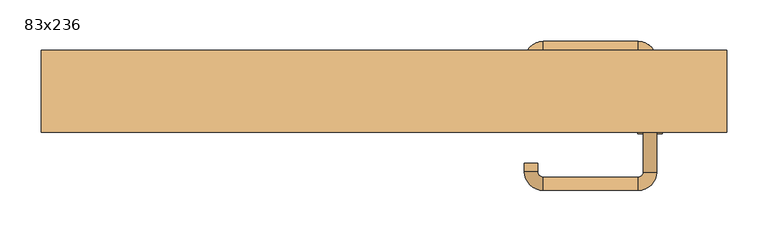
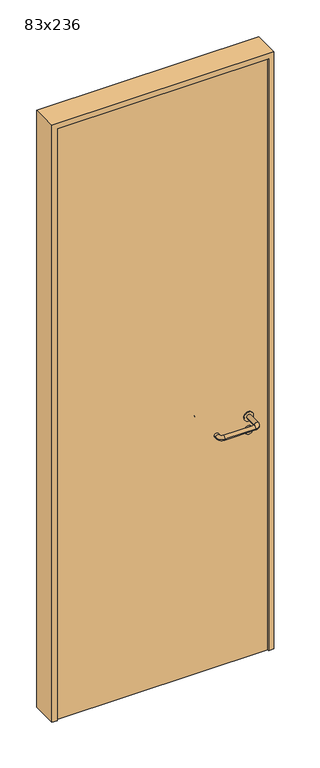
"""IFC4 building model written with IfcOpenShell, lengths in millimetres: door geometry, 83x236."""

import ifcopenshell
import ifcopenshell.guid

model = None  # the IFC model being written
_history = None  # IfcOwnerHistory: only IFC2X3 demands one
_inside = {}  # id of a spatial element -> (the spatial element, [elements in it])
_under = {}  # id of a project, library or spatial element -> (it, [spatial elements below it])
_declared = {}  # id of a project -> (the project, [libraries it declares])
_typed = {}  # id of a type object -> (the type object, [elements of that type])
_made_of = {}  # id of a material, layer set ... -> (it, [elements and type objects made of it])


def new_model(schema):
    """Start an empty IFC model of exactly this schema.

    Asked for "IFC4X3", IfcOpenShell would pick the latest addendum, in which some entities
    have other attributes; the version numbers below select the first issue.
    IFC2X3 requires an IfcOwnerHistory on every rooted entity: one is made here for all.
    """
    global model, _history
    if schema == "IFC4X3":
        model = ifcopenshell.file(schema_version=(4, 3, 0, 0))
    else:
        model = ifcopenshell.file(schema=schema)
    _inside.clear()
    _under.clear()
    _declared.clear()
    _typed.clear()
    _made_of.clear()
    _history = None
    if model.schema == "IFC2X3":
        org = make("IfcOrganization", Name="unknown")
        user = make(
            "IfcPersonAndOrganization",
            ThePerson=make("IfcPerson", FamilyName="unknown"),
            TheOrganization=org,
        )
        app = make(
            "IfcApplication",
            ApplicationDeveloper=org,
            Version="unknown",
            ApplicationFullName="unknown",
            ApplicationIdentifier="unknown",
        )
        _history = make(
            "IfcOwnerHistory",
            OwningUser=user,
            OwningApplication=app,
            ChangeAction="ADDED",
            CreationDate=0,
        )
    return model


def make(cls, **values):
    """One entity of the class cls with the attributes given. An attribute that is None is left unset."""
    return model.create_entity(
        cls, **{name: value for name, value in values.items() if value is not None}
    )


def rooted(cls, **values):
    """An entity with a GlobalId (a new one), such as an element, a storey or a relation."""
    return make(cls, GlobalId=ifcopenshell.guid.new(), OwnerHistory=_history, **values)


def si_unit(unit_type, name, prefix=None):
    """IfcSIUnit, for example si_unit("LENGTHUNIT", "METRE", prefix="MILLI")."""
    return make("IfcSIUnit", UnitType=unit_type, Prefix=prefix, Name=name)


def assignment(units):
    """IfcUnitAssignment: the units of a project."""
    return None if units is None else make("IfcUnitAssignment", Units=units)


def point(xyz):
    """IfcCartesianPoint."""
    return None if xyz is None else make("IfcCartesianPoint", Coordinates=xyz)


def direction(xyz):
    """IfcDirection."""
    return None if xyz is None else make("IfcDirection", DirectionRatios=xyz)


def frame(location, z_axis=None, x_axis=None):
    """IfcAxis2Placement3D, a coordinate frame: its origin and axes. An axis left out is left unset."""
    return make(
        "IfcAxis2Placement3D",
        Location=point(location),
        Axis=direction(z_axis),
        RefDirection=direction(x_axis),
    )


def frame_2d(location, x_axis=None):
    """IfcAxis2Placement2D, a coordinate frame in the plane: its origin and x axis."""
    return make(
        "IfcAxis2Placement2D", Location=point(location), RefDirection=direction(x_axis)
    )


def origin():
    """The frame at (0, 0, 0) with its axes left unset."""
    return frame((0.0, 0.0, 0.0))


def origin_with_axes():
    """The frame at (0, 0, 0) with the z axis (0, 0, 1) and the x axis (1, 0, 0) written out."""
    return frame((0.0, 0.0, 0.0), z_axis=(0.0, 0.0, 1.0), x_axis=(1.0, 0.0, 0.0))


def place(relative_to, where):
    """IfcLocalPlacement: puts the frame where relative to a parent placement (None: the world)."""
    return make(
        "IfcLocalPlacement", PlacementRelTo=relative_to, RelativePlacement=where
    )


def context(
    kind, dimensions, precision=None, world=None, true_north=None, identifier=None
):
    """IfcGeometricRepresentationContext, for example the 3D "Model" context."""
    return make(
        "IfcGeometricRepresentationContext",
        ContextIdentifier=identifier,
        ContextType=kind,
        CoordinateSpaceDimension=dimensions,
        Precision=precision,
        WorldCoordinateSystem=world,
        TrueNorth=true_north,
    )


def project(units=None, contexts=None):
    """IfcProject with its units and contexts."""
    return rooted(
        "IfcProject",
        Name="project",
        RepresentationContexts=contexts,
        UnitsInContext=assignment(units),
    )


def spatial(cls, under=None, at=None, **own):
    """A site, building, storey or space (cls), placed at a placement, below another one or the project."""
    s = rooted(cls, ObjectPlacement=at, **own)
    if under is not None:
        _under.setdefault(under.id(), (under, []))[1].append(s)
    return s


def polyline(points):
    """IfcPolyline through the points."""
    return make("IfcPolyline", Points=[point(p) for p in points])


def circle_curve(where, radius):
    """IfcCircle in the frame where."""
    return make("IfcCircle", Position=where, Radius=radius)


def ellipse_curve(where, semi_axis1, semi_axis2):
    """IfcEllipse in the frame where."""
    return make(
        "IfcEllipse", Position=where, SemiAxis1=semi_axis1, SemiAxis2=semi_axis2
    )


def trimmed(basis, trim1, trim2, sense, master):
    """IfcTrimmedCurve: the piece of a basis curve between two trims."""
    return make(
        "IfcTrimmedCurve",
        BasisCurve=basis,
        Trim1=trim1,
        Trim2=trim2,
        SenseAgreement=sense,
        MasterRepresentation=master,
    )


def segment(curve, same_sense, transition):
    """IfcCompositeCurveSegment."""
    return make(
        "IfcCompositeCurveSegment",
        Transition=transition,
        SameSense=same_sense,
        ParentCurve=curve,
    )


def composite_curve(segments, self_intersect=None):
    """IfcCompositeCurve: segments joined end to end."""
    return make("IfcCompositeCurve", Segments=segments, SelfIntersect=self_intersect)


def outline(outer, holes=None, kind="AREA"):
    """IfcArbitraryClosedProfileDef: a profile drawn as a closed curve; with holes, ...WithVoids."""
    if holes is None:
        return make("IfcArbitraryClosedProfileDef", ProfileType=kind, OuterCurve=outer)
    return make(
        "IfcArbitraryProfileDefWithVoids",
        ProfileType=kind,
        OuterCurve=outer,
        InnerCurves=holes,
    )


def extrude(swept, where, along, depth):
    """IfcExtrudedAreaSolid: the profile swept, set in the frame where, extruded along a direction by depth."""
    return make(
        "IfcExtrudedAreaSolid",
        SweptArea=swept,
        Position=where,
        ExtrudedDirection=direction(along),
        Depth=depth,
    )


def shape(context_of_items, identifier, shape_type, items):
    """IfcShapeRepresentation: the items that make up one representation, for example the "Body"."""
    return make(
        "IfcShapeRepresentation",
        ContextOfItems=context_of_items,
        RepresentationIdentifier=identifier,
        RepresentationType=shape_type,
        Items=items,
    )


def source(mapping_origin, context_of_items, identifier, shape_type, items):
    """IfcRepresentationMap: a shape defined once, which mapped items show again and again."""
    return make(
        "IfcRepresentationMap",
        MappingOrigin=mapping_origin,
        MappedRepresentation=shape(context_of_items, identifier, shape_type, items),
    )


def transform(
    local_origin,
    x_axis=None,
    y_axis=None,
    z_axis=None,
    scale=None,
    scale2=None,
    scale3=None,
    uniform=True,
):
    """IfcCartesianTransformationOperator3D, or its non-uniform kind. x_axis, y_axis, z_axis: its Axis1, 2, 3."""
    if uniform:
        return make(
            "IfcCartesianTransformationOperator3D",
            Axis1=direction(x_axis),
            Axis2=direction(y_axis),
            LocalOrigin=point(local_origin),
            Scale=scale,
            Axis3=direction(z_axis),
        )
    return make(
        "IfcCartesianTransformationOperator3DnonUniform",
        Axis1=direction(x_axis),
        Axis2=direction(y_axis),
        LocalOrigin=point(local_origin),
        Scale=scale,
        Axis3=direction(z_axis),
        Scale2=scale2,
        Scale3=scale3,
    )


def mapped(mapping_source, mapping_target):
    """IfcMappedItem: shows the shape of a source again, moved by a transform."""
    return make(
        "IfcMappedItem", MappingSource=mapping_source, MappingTarget=mapping_target
    )


def made_of(thing, what):
    """Note that an element or type object is made of a material, layer set ...; save() writes the relation."""
    if what is not None:
        _made_of.setdefault(what.id(), (what, []))[1].append(thing)
    return thing


def element(
    cls,
    number,
    at=None,
    inside=None,
    cuts=None,
    type_object=None,
    material=None,
    context=None,
    identifier="Body",
    shape_type=None,
    held_by="IfcProductDefinitionShape",
    body=None,
    shapes=None,
    **own,
):
    """One element of the class cls, such as IfcWall. Its Tag is "e" and its number.

    at: its placement. inside: the storey or other place that contains it. cuts: it is an
    opening in that element (IfcRelVoidsElement). A single representation is given by context,
    identifier, shape_type and body (its items); several are given by shapes. held_by: the class
    of the entity that holds the representations. save() writes the other relations.
    """
    e = rooted(cls, Tag="e%d" % number, ObjectPlacement=at, **own)
    if body is not None:
        shapes = [shape(context, identifier, shape_type, body)]
    if shapes is not None:
        e.Representation = make(held_by, Representations=shapes)
    if inside is not None:
        _inside.setdefault(inside.id(), (inside, []))[1].append(e)
    if cuts is not None:
        rooted(
            "IfcRelVoidsElement", RelatingBuildingElement=cuts, RelatedOpeningElement=e
        )
    if type_object is not None:
        _typed.setdefault(type_object.id(), (type_object, []))[1].append(e)
    return made_of(e, material)


def aggregate(whole, parts):
    """IfcRelAggregates: a whole, such as a stair, and the parts it consists of."""
    return rooted("IfcRelAggregates", RelatingObject=whole, RelatedObjects=parts)


def save(model, path):
    """Write the relations noted so far, then the file.

    IfcRelAggregates (storeys below a building ...), IfcRelContainedInSpatialStructure (elements
    in a storey), IfcRelDefinesByType, IfcRelAssociatesMaterial and IfcRelDeclares: one each for
    every whole, place, type object, material and project.
    """
    for whole, parts in _under.values():
        aggregate(whole, parts)
    for where, things in _inside.values():
        rooted(
            "IfcRelContainedInSpatialStructure",
            RelatedElements=things,
            RelatingStructure=where,
        )
    for kind, things in _typed.values():
        rooted("IfcRelDefinesByType", RelatedObjects=things, RelatingType=kind)
    for what, things in _made_of.values():
        rooted("IfcRelAssociatesMaterial", RelatedObjects=things, RelatingMaterial=what)
    for by, libraries in _declared.values():
        rooted("IfcRelDeclares", RelatingContext=by, RelatedDefinitions=libraries)
    model.write(path)


def plane_surface(at):
    """IfcPlane: the flat surface through the origin of the frame at, square to its z axis."""
    return make("IfcPlane", Position=at)


def cylinder_surface(at, radius):
    """IfcCylindricalSurface: all points at the distance radius from the z axis of the frame at."""
    return make("IfcCylindricalSurface", Position=at, Radius=radius)


def revolved_surface(curve, axis_point, axis_direction):
    """IfcSurfaceOfRevolution: the curve turned about the line through axis_point along axis_direction."""
    return make(
        "IfcSurfaceOfRevolution",
        SweptCurve=make("IfcArbitraryOpenProfileDef", ProfileType="CURVE", Curve=curve),
        AxisPosition=make("IfcAxis1Placement", Location=point(axis_point), Axis=direction(axis_direction)),
    )


def advanced_brep(points, edges, surfaces, faces):
    """IfcAdvancedBrep: a solid bounded by faces that lie on surfaces and meet in shared edges.

    An edge is (start, end): straight between two places in points (the first is 0);
    or (start, end, curve); or (start, end, curve, False) where it runs against its curve.
    A face is (place in surfaces, loops), or (place, loops, False) where it looks against
    its surface's normal. A loop lists edges by number (the first is 1), with a minus sign
    where the edge is run from its end to its start. The first loop is the outer one.
    """
    corners = [point(p) for p in points]
    vertices = [make("IfcVertexPoint", VertexGeometry=c) for c in corners]
    made = []
    for start, end, *more in edges:
        made.append(
            make(
                "IfcEdgeCurve",
                EdgeStart=vertices[start],
                EdgeEnd=vertices[end],
                EdgeGeometry=more[0] if more else make("IfcPolyline", Points=[corners[start], corners[end]]),
                SameSense=more[1] if len(more) > 1 else True,
            )
        )
    hull = []
    for where, loops, *sense in faces:
        bounds = []
        for j, loop in enumerate(loops):
            ring = [make("IfcOrientedEdge", EdgeElement=made[abs(k) - 1], Orientation=k > 0) for k in loop]
            bounds.append(
                make(
                    "IfcFaceOuterBound" if j == 0 else "IfcFaceBound",
                    Bound=make("IfcEdgeLoop", EdgeList=ring),
                    Orientation=True,
                )
            )
        hull.append(make("IfcAdvancedFace", Bounds=bounds, FaceSurface=surfaces[where], SameSense=sense[0] if sense else True))
    return make("IfcAdvancedBrep", Outer=make("IfcClosedShell", CfsFaces=hull))


def door_83x236_25af411b(model_context):
    return source(origin(), model_context, "Body", "SolidModel", [
        extrude(outline(composite_curve([segment(trimmed(circle_curve(frame_2d((897.3605726, 322.0)), 15.0), [point((897.3605726, 337.0))], [point((897.3605726, 307.0))], False, "CARTESIAN"), True, "CONTINUOUS"), segment(trimmed(circle_curve(frame_2d((897.3605726, 322.0)), 15.0), [point((897.3605726, 307.0))], [point((897.3605726, 337.0))], False, "CARTESIAN"), True, "CONTINUOUS")], self_intersect=False), holes=[composite_curve([segment(trimmed(circle_curve(frame_2d((892.5833211, 321.9398032)), 2.0), [point((892.5833211, 323.9398032))], [point((892.5833211, 319.9398032))], True, "CARTESIAN"), True, "CONTINUOUS"), segment(polyline([(892.5833211, 319.9398032), (902.5833211, 319.9398032)]), True, "CONTINUOUS"), segment(trimmed(circle_curve(frame_2d((902.5833211, 321.9398032)), 2.0), [point((902.5833211, 319.9398032))], [point((902.5833211, 323.9398032))], True, "CARTESIAN"), True, "CONTINUOUS"), segment(polyline([(902.5833211, 323.9398032), (892.5833211, 323.9398032)]), True, "CONTINUOUS")], self_intersect=False)]), frame((0.0, -15.0, 0.0), z_axis=(0.0, 1.0, 0.0), x_axis=(0.0, 0.0, 1.0)), (0.0, 0.0, 1.0), 6.35),
        extrude(outline(composite_curve([segment(trimmed(circle_curve(frame_2d((950.0, 322.0)), 17.526), [point((950.0, 339.526))], [point((950.0, 304.474))], False, "CARTESIAN"), True, "CONTINUOUS"), segment(trimmed(circle_curve(frame_2d((950.0, 322.0)), 17.526), [point((950.0, 304.474))], [point((950.0, 339.526))], False, "CARTESIAN"), True, "CONTINUOUS")], self_intersect=False)), frame((0.0, -15.0, 0.0), z_axis=(0.0, 1.0, 0.0), x_axis=(0.0, 0.0, 1.0)), (0.0, 0.0, 1.0), 3.175),
        advanced_brep(
        [(330.0, -15.0, 950.0), (314.0, -15.0, 950.0), (330.0, 38.0, 950.0), (314.0, 38.0, 950.0), (307.8578644, 44.1421356, 950.0), (307.8578644, 60.1421356, 950.0), (192.8578644, 60.1421356, 950.0), (192.8578644, 44.1421356, 950.0), (186.008622, 37.2928932, 950.0), (170.008622, 37.2928932, 950.0), (170.008622, 27.2928932, 950.0), (186.008622, 27.2928932, 950.0)],
        [
            (0, 1, circle_curve(frame((322.0, -15.0, 950.0), z_axis=(0.0, -1.0, 0.0), x_axis=(-1.0, 0.0, 0.0)), 8.0)),
            (1, 0, circle_curve(frame((322.0, -15.0, 950.0), z_axis=(0.0, -1.0, 0.0), x_axis=(-1.0, 0.0, 0.0)), 8.0)),
            (0, 2),
            (2, 3, circle_curve(frame((322.0, 38.0, 950.0), z_axis=(0.0, -1.0, 0.0), x_axis=(-1.0, 0.0, 0.0)), 8.0)),
            (3, 1),
            (3, 2, circle_curve(frame((322.0, 38.0, 950.0), z_axis=(0.0, -1.0, 0.0), x_axis=(-1.0, 0.0, 0.0)), 8.0)),
            (4, 3, circle_curve(frame((307.8578644, 38.0, 950.0), z_axis=(0.0, 0.0, -1.0), x_axis=(1.0, 0.0, 0.0)), 6.1421356)),
            (2, 5, circle_curve(frame((307.8578644, 38.0, 950.0), z_axis=(0.0, 0.0, 1.0), x_axis=(1.0, 0.0, 0.0)), 22.1421356)),
            (5, 4, circle_curve(frame((307.8578644, 52.1421356, 950.0), z_axis=(1.0, 0.0, 0.0), x_axis=(0.0, -1.0, 0.0)), 8.0)),
            (4, 5, circle_curve(frame((307.8578644, 52.1421356, 950.0), z_axis=(1.0, 0.0, 0.0), x_axis=(0.0, -1.0, 0.0)), 8.0)),
            (5, 6),
            (6, 7, circle_curve(frame((192.8578644, 52.1421356, 950.0), z_axis=(1.0, 0.0, 0.0), x_axis=(0.0, -1.0, 0.0)), 8.0)),
            (7, 4),
            (7, 6, circle_curve(frame((192.8578644, 52.1421356, 950.0), z_axis=(1.0, 0.0, 0.0), x_axis=(0.0, -1.0, 0.0)), 8.0)),
            (8, 7, circle_curve(frame((192.8578644, 37.2928932, 950.0), z_axis=(0.0, 0.0, -1.0), x_axis=(0.0, 1.0, 0.0)), 6.8492424)),
            (6, 9, circle_curve(frame((192.8578644, 37.2928932, 950.0), z_axis=(0.0, 0.0, 1.0), x_axis=(0.0, 1.0, 0.0)), 22.8492424)),
            (9, 8, circle_curve(frame((178.008622, 37.2928932, 950.0), z_axis=(0.0, 1.0, 0.0), x_axis=(1.0, 0.0, 0.0)), 8.0)),
            (8, 9, circle_curve(frame((178.008622, 37.2928932, 950.0), z_axis=(0.0, 1.0, 0.0), x_axis=(1.0, 0.0, 0.0)), 8.0)),
            (10, 11, circle_curve(frame((178.008622, 27.2928932, 950.0), z_axis=(0.0, -1.0, 0.0), x_axis=(1.0, 0.0, 0.0)), 8.0)),
            (11, 10, circle_curve(frame((178.008622, 27.2928932, 950.0), z_axis=(0.0, -1.0, 0.0), x_axis=(1.0, 0.0, 0.0)), 8.0)),
            (9, 10),
            (11, 8),
        ],
        [
            plane_surface(frame((322.0, -15.0, 0.0), z_axis=(0.0, -1.0, 0.0), x_axis=(0.0, 0.0, 1.0))),
            cylinder_surface(frame((322.0, -15.0, 950.0), z_axis=(0.0, -1.0, 0.0), x_axis=(-1.0, 0.0, 0.0)), 8.0),
            revolved_surface(trimmed(ellipse_curve(frame((322.0, 38.0, 950.0), z_axis=(0.0, -1.0, 0.0), x_axis=(-1.0, 0.0, 0.0)), 8.0, 8.0), [point((330.0, 38.0, 950.0))], [point((314.0, 38.0, 950.0))], True, "CARTESIAN"), (307.8578644, 38.0, 0.0), (0.0, 0.0, 1.0)),
            revolved_surface(trimmed(ellipse_curve(frame((322.0, 38.0, 950.0), z_axis=(0.0, -1.0, 0.0), x_axis=(-1.0, 0.0, 0.0)), 8.0, 8.0), [point((314.0, 38.0, 950.0))], [point((330.0, 38.0, 950.0))], True, "CARTESIAN"), (307.8578644, 38.0, 0.0), (0.0, 0.0, 1.0)),
            cylinder_surface(frame((307.8578644, 52.1421356, 950.0), z_axis=(1.0, 0.0, 0.0), x_axis=(0.0, -1.0, 0.0)), 8.0),
            revolved_surface(trimmed(ellipse_curve(frame((192.8578644, 52.1421356, 950.0), z_axis=(1.0, 0.0, 0.0), x_axis=(0.0, -1.0, 0.0)), 8.0, 8.0), [point((192.8578644, 60.1421356, 950.0))], [point((192.8578644, 44.1421356, 950.0))], True, "CARTESIAN"), (192.8578644, 37.2928932, 0.0), (0.0, 0.0, 1.0)),
            revolved_surface(trimmed(ellipse_curve(frame((192.8578644, 52.1421356, 950.0), z_axis=(1.0, 0.0, 0.0), x_axis=(0.0, -1.0, 0.0)), 8.0, 8.0), [point((192.8578644, 44.1421356, 950.0))], [point((192.8578644, 60.1421356, 950.0))], True, "CARTESIAN"), (192.8578644, 37.2928932, 0.0), (0.0, 0.0, 1.0)),
            plane_surface(frame((178.008622, 27.2928932, 0.0), z_axis=(0.0, -1.0, 0.0), x_axis=(0.0, 0.0, 1.0))),
            cylinder_surface(frame((178.008622, 37.2928932, 950.0), z_axis=(0.0, 1.0, 0.0), x_axis=(1.0, 0.0, 0.0)), 8.0),
        ],
        [
            (0, [[1, 2]]),
            (1, [[-1, 3, 4, 5]]),
            (1, [[-2, -5, 6, -3]]),
            (2, [[7, -4, 8, 9]]),
            (3, [[-8, -6, -7, 10]]),
            (4, [[-9, 11, 12, 13]]),
            (4, [[-10, -13, 14, -11]]),
            (5, [[15, -12, 16, 17]]),
            (6, [[-16, -14, -15, 18]]),
            (7, [[19, 20]]),
            (8, [[-17, 21, -20, 22]]),
            (8, [[-18, -22, -19, -21]]),
        ],
    ),
        extrude(outline(composite_curve([segment(trimmed(circle_curve(frame_2d((0.0, 15.0)), 15.0), [point((0.0, 30.0))], [point((0.0, 0.0))], False, "CARTESIAN"), True, "CONTINUOUS"), segment(trimmed(circle_curve(frame_2d((0.0, 15.0)), 15.0), [point((0.0, 0.0))], [point((0.0, 30.0))], False, "CARTESIAN"), True, "CONTINUOUS")], self_intersect=False), holes=[composite_curve([segment(trimmed(circle_curve(frame_2d((-4.7772515, 14.9398032)), 2.0), [point((-4.7772515, 16.9398032))], [point((-4.7772515, 12.9398032))], True, "CARTESIAN"), True, "CONTINUOUS"), segment(polyline([(-4.7772515, 12.9398032), (5.2227485, 12.9398032)]), True, "CONTINUOUS"), segment(trimmed(circle_curve(frame_2d((5.2227485, 14.9398032)), 2.0), [point((5.2227485, 12.9398032))], [point((5.2227485, 16.9398032))], True, "CARTESIAN"), True, "CONTINUOUS"), segment(polyline([(5.2227485, 16.9398032), (-4.7772515, 16.9398032)]), True, "CONTINUOUS")], self_intersect=False)]), frame((307.0, -51.35, 897.3605726), z_axis=(-1.8870575173328306e-12, 1.0, 0.0), x_axis=(0.0, 0.0, 1.0)), (0.0, 0.0, 1.0), 6.35),
        extrude(outline(composite_curve([segment(trimmed(circle_curve(frame_2d((0.0, 17.526)), 17.526), [point((0.0, 35.052))], [point((0.0, 0.0))], False, "CARTESIAN"), True, "CONTINUOUS"), segment(trimmed(circle_curve(frame_2d((0.0, 17.526)), 17.526), [point((0.0, 0.0))], [point((0.0, 35.052))], False, "CARTESIAN"), True, "CONTINUOUS")], self_intersect=False)), frame((304.474, -48.175, 950.0), z_axis=(-1.8870575173328306e-12, 1.0, 0.0), x_axis=(0.0, 0.0, 1.0)), (0.0, 0.0, 1.0), 3.175),
        advanced_brep(
        [(330.0, -45.0, 950.0), (314.0, -45.0, 950.0), (314.0, -98.0, 950.0), (330.0, -98.0, 950.0), (307.8578644, -104.1421356, 950.0), (307.8578644, -120.1421356, 950.0), (192.8578644, -104.1421356, 950.0), (192.8578644, -120.1421356, 950.0), (186.008622, -97.2928932, 950.0), (170.008622, -97.2928932, 950.0), (170.008622, -87.2928932, 950.0), (186.008622, -87.2928932, 950.0)],
        [
            (0, 1, circle_curve(frame((322.0, -45.0, 950.0), z_axis=(-1.888672253512351e-12, 1.0, 0.0), x_axis=(-1.0, -1.888672253512351e-12, 0.0)), 8.0)),
            (1, 0, circle_curve(frame((322.0, -45.0, 950.0), z_axis=(-1.888672253512351e-12, 1.0, 0.0), x_axis=(-1.0, -1.888672253512351e-12, 0.0)), 8.0)),
            (1, 2),
            (2, 3, circle_curve(frame((322.0, -98.0, 950.0), z_axis=(-1.888672253512351e-12, 1.0, 0.0), x_axis=(-1.0, -1.888672253512351e-12, 0.0)), 8.0)),
            (3, 0),
            (3, 2, circle_curve(frame((322.0, -98.0, 950.0), z_axis=(-1.888672253512351e-12, 1.0, 0.0), x_axis=(-1.0, -1.888672253512351e-12, 0.0)), 8.0)),
            (4, 5, circle_curve(frame((307.8578644, -112.1421356, 950.0), z_axis=(1.0, 1.913702061528922e-12, 0.0), x_axis=(-1.913702061528922e-12, 1.0, 0.0)), 8.0)),
            (5, 3, circle_curve(frame((307.8578644, -98.0, 950.0), z_axis=(0.0, 0.0, 1.0), x_axis=(1.0, 1.880717803715015e-12, 0.0)), 22.1421356)),
            (2, 4, circle_curve(frame((307.8578644, -98.0, 950.0), z_axis=(0.0, 0.0, -1.0), x_axis=(1.0, 1.880717803715015e-12, 0.0)), 6.1421356)),
            (5, 4, circle_curve(frame((307.8578644, -112.1421356, 950.0), z_axis=(1.0, 1.913702061528922e-12, 0.0), x_axis=(-1.913702061528922e-12, 1.0, 0.0)), 8.0)),
            (4, 6),
            (6, 7, circle_curve(frame((192.8578644, -112.1421356, 950.0), z_axis=(1.0, 1.913719828541269e-12, 0.0), x_axis=(-1.913719828541269e-12, 1.0, 0.0)), 8.0)),
            (7, 5),
            (7, 6, circle_curve(frame((192.8578644, -112.1421356, 950.0), z_axis=(1.0, 1.913719828541269e-12, 0.0), x_axis=(-1.913719828541269e-12, 1.0, 0.0)), 8.0)),
            (8, 9, circle_curve(frame((178.008622, -97.2928932, 950.0), z_axis=(1.8888942981172756e-12, -1.0, 0.0), x_axis=(1.0, 1.8888942981172756e-12, 0.0)), 8.0)),
            (9, 7, circle_curve(frame((192.8578644, -97.2928932, 950.0), z_axis=(0.0, 0.0, 1.0), x_axis=(1.9120873253494017e-12, -1.0, 0.0)), 22.8492424)),
            (6, 8, circle_curve(frame((192.8578644, -97.2928932, 950.0), z_axis=(0.0, 0.0, -1.0), x_axis=(1.9120873253494017e-12, -1.0, 0.0)), 6.8492424)),
            (9, 8, circle_curve(frame((178.008622, -97.2928932, 950.0), z_axis=(1.890448610351751e-12, -1.0, 0.0), x_axis=(1.0, 1.890448610351751e-12, 0.0)), 8.0)),
            (10, 11, circle_curve(frame((178.008622, -87.2928932, 950.0), z_axis=(-1.8903642334018795e-12, 1.0, 0.0), x_axis=(1.0, 1.8903642334018795e-12, 0.0)), 8.0)),
            (11, 10, circle_curve(frame((178.008622, -87.2928932, 950.0), z_axis=(-1.8903642334018795e-12, 1.0, 0.0), x_axis=(1.0, 1.8903642334018795e-12, 0.0)), 8.0)),
            (8, 11),
            (10, 9),
        ],
        [
            plane_surface(frame((322.0, -45.0, 0.0), z_axis=(-1.8870575173328306e-12, 1.0, 0.0), x_axis=(0.0, 0.0, 1.0))),
            cylinder_surface(frame((322.0, -45.0, 950.0), z_axis=(-1.888672253512351e-12, 1.0, 0.0), x_axis=(-1.0, -1.888672253512351e-12, 0.0)), 8.0),
            revolved_surface(trimmed(ellipse_curve(frame((322.0, -98.0, 950.0), z_axis=(1.8823325398945356e-12, -1.0, 0.0), x_axis=(-1.0, -1.8823325398945356e-12, 0.0)), 8.0, 8.0), [point((330.0, -98.0, 950.0))], [point((314.0, -98.0, 950.0))], True, "CARTESIAN"), (307.8578644, -98.0, 0.0), (0.0, 0.0, 1.0)),
            revolved_surface(trimmed(ellipse_curve(frame((322.0, -98.0, 950.0), z_axis=(1.8823325398945356e-12, -1.0, 0.0), x_axis=(-1.0, -1.8823325398945356e-12, 0.0)), 8.0, 8.0), [point((314.0, -98.0, 950.0))], [point((330.0, -98.0, 950.0))], True, "CARTESIAN"), (307.8578644, -98.0, 0.0), (0.0, 0.0, 1.0)),
            cylinder_surface(frame((307.8578644, -112.1421356, 950.0), z_axis=(1.0, 1.913719828541269e-12, 0.0), x_axis=(-1.913719828541269e-12, 1.0, 0.0)), 8.0),
            revolved_surface(trimmed(ellipse_curve(frame((192.8578644, -112.1421356, 950.0), z_axis=(-1.0, -1.913702061528922e-12, 0.0), x_axis=(-1.913702061528922e-12, 1.0, 0.0)), 8.0, 8.0), [point((192.8578644, -120.1421356, 950.0))], [point((192.8578644, -104.1421356, 950.0))], True, "CARTESIAN"), (192.8578644, -97.2928932, 0.0), (0.0, 0.0, 1.0)),
            revolved_surface(trimmed(ellipse_curve(frame((192.8578644, -112.1421356, 950.0), z_axis=(-1.0, -1.913702061528922e-12, 0.0), x_axis=(-1.913702061528922e-12, 1.0, 0.0)), 8.0, 8.0), [point((192.8578644, -104.1421356, 950.0))], [point((192.8578644, -120.1421356, 950.0))], True, "CARTESIAN"), (192.8578644, -97.2928932, 0.0), (0.0, 0.0, 1.0)),
            plane_surface(frame((178.008622, -87.2928932, 0.0), z_axis=(-1.8887494972223595e-12, 1.0, 0.0), x_axis=(0.0, 0.0, 1.0))),
            cylinder_surface(frame((178.008622, -97.2928932, 950.0), z_axis=(1.8903642334018795e-12, -1.0, 0.0), x_axis=(1.0, 1.8903642334018795e-12, 0.0)), 8.0),
        ],
        [
            (0, [[1, 2]]),
            (1, [[3, 4, 5, -2]]),
            (1, [[-5, 6, -3, -1]]),
            (2, [[7, 8, -4, 9]]),
            (3, [[10, -9, -6, -8]]),
            (4, [[11, 12, 13, -7]]),
            (4, [[-13, 14, -11, -10]]),
            (5, [[15, 16, -12, 17]]),
            (6, [[18, -17, -14, -16]]),
            (7, [[19, 20]]),
            (8, [[21, -19, 22, -15]]),
            (8, [[-22, -20, -21, -18]]),
        ],
    ),
        extrude(outline(polyline([(2340.0, 395.0), (0.0, 395.0), (0.0, 415.0), (2360.0, 415.0), (2360.0, -415.0), (0.0, -415.0), (0.0, -395.0), (2340.0, -395.0), (2340.0, 395.0)])), frame((0.0, -50.0, 0.0), z_axis=(0.0, 1.0, 0.0), x_axis=(0.0, 0.0, 1.0)), (0.0, 0.0, 1.0), 99.0),
        extrude(outline(polyline([(-395.0, -45.0), (-395.0, -15.0), (395.0, -15.0), (395.0, -45.0), (-395.0, -45.0)])), origin_with_axes(), (0.0, 0.0, 1.0), 2340.0),
    ])


if __name__ == "__main__":
    model = new_model("IFC4")
    model_context = context("Model", 3, world=origin())
    ifc_project = project(units=[si_unit("LENGTHUNIT", "METRE", prefix="MILLI")], contexts=[model_context])
    site = spatial("IfcSite", under=ifc_project)
    building = spatial("IfcBuilding", under=site)
    placement = place(None, origin())
    door_83x236_shape = door_83x236_25af411b(model_context)
    element("IfcDoor", 1, ObjectType="83x236", at=placement, inside=building, context=model_context, shape_type="MappedRepresentation", body=[
        mapped(door_83x236_shape, transform((0.0, 0.0, 0.0), x_axis=(1.0, 0.0, 0.0), y_axis=(0.0, 1.0, 0.0), z_axis=(0.0, 0.0, 1.0))),
    ])
    save(model, "model.ifc")
